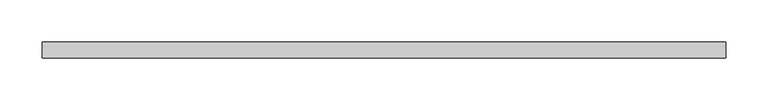
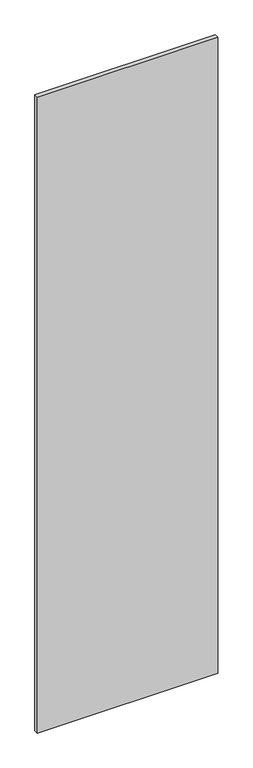
"""IFC4 building model written with IfcOpenShell, lengths in millimetres: proxy geometry."""

import ifcopenshell
import ifcopenshell.guid

model = None  # the IFC model being written
_history = None  # IfcOwnerHistory: only IFC2X3 demands one
_inside = {}  # id of a spatial element -> (the spatial element, [elements in it])
_under = {}  # id of a project, library or spatial element -> (it, [spatial elements below it])
_declared = {}  # id of a project -> (the project, [libraries it declares])
_typed = {}  # id of a type object -> (the type object, [elements of that type])
_made_of = {}  # id of a material, layer set ... -> (it, [elements and type objects made of it])


def new_model(schema):
    """Start an empty IFC model of exactly this schema.

    Asked for "IFC4X3", IfcOpenShell would pick the latest addendum, in which some entities
    have other attributes; the version numbers below select the first issue.
    IFC2X3 requires an IfcOwnerHistory on every rooted entity: one is made here for all.
    """
    global model, _history
    if schema == "IFC4X3":
        model = ifcopenshell.file(schema_version=(4, 3, 0, 0))
    else:
        model = ifcopenshell.file(schema=schema)
    _inside.clear()
    _under.clear()
    _declared.clear()
    _typed.clear()
    _made_of.clear()
    _history = None
    if model.schema == "IFC2X3":
        org = make("IfcOrganization", Name="unknown")
        user = make(
            "IfcPersonAndOrganization",
            ThePerson=make("IfcPerson", FamilyName="unknown"),
            TheOrganization=org,
        )
        app = make(
            "IfcApplication",
            ApplicationDeveloper=org,
            Version="unknown",
            ApplicationFullName="unknown",
            ApplicationIdentifier="unknown",
        )
        _history = make(
            "IfcOwnerHistory",
            OwningUser=user,
            OwningApplication=app,
            ChangeAction="ADDED",
            CreationDate=0,
        )
    return model


def make(cls, **values):
    """One entity of the class cls with the attributes given. An attribute that is None is left unset."""
    return model.create_entity(
        cls, **{name: value for name, value in values.items() if value is not None}
    )


def rooted(cls, **values):
    """An entity with a GlobalId (a new one), such as an element, a storey or a relation."""
    return make(cls, GlobalId=ifcopenshell.guid.new(), OwnerHistory=_history, **values)


def si_unit(unit_type, name, prefix=None):
    """IfcSIUnit, for example si_unit("LENGTHUNIT", "METRE", prefix="MILLI")."""
    return make("IfcSIUnit", UnitType=unit_type, Prefix=prefix, Name=name)


def assignment(units):
    """IfcUnitAssignment: the units of a project."""
    return None if units is None else make("IfcUnitAssignment", Units=units)


def point(xyz):
    """IfcCartesianPoint."""
    return None if xyz is None else make("IfcCartesianPoint", Coordinates=xyz)


def direction(xyz):
    """IfcDirection."""
    return None if xyz is None else make("IfcDirection", DirectionRatios=xyz)


def frame(location, z_axis=None, x_axis=None):
    """IfcAxis2Placement3D, a coordinate frame: its origin and axes. An axis left out is left unset."""
    return make(
        "IfcAxis2Placement3D",
        Location=point(location),
        Axis=direction(z_axis),
        RefDirection=direction(x_axis),
    )


def origin():
    """The frame at (0, 0, 0) with its axes left unset."""
    return frame((0.0, 0.0, 0.0))


def place(relative_to, where):
    """IfcLocalPlacement: puts the frame where relative to a parent placement (None: the world)."""
    return make(
        "IfcLocalPlacement", PlacementRelTo=relative_to, RelativePlacement=where
    )


def context(
    kind, dimensions, precision=None, world=None, true_north=None, identifier=None
):
    """IfcGeometricRepresentationContext, for example the 3D "Model" context."""
    return make(
        "IfcGeometricRepresentationContext",
        ContextIdentifier=identifier,
        ContextType=kind,
        CoordinateSpaceDimension=dimensions,
        Precision=precision,
        WorldCoordinateSystem=world,
        TrueNorth=true_north,
    )


def project(units=None, contexts=None):
    """IfcProject with its units and contexts."""
    return rooted(
        "IfcProject",
        Name="project",
        RepresentationContexts=contexts,
        UnitsInContext=assignment(units),
    )


def spatial(cls, under=None, at=None, **own):
    """A site, building, storey or space (cls), placed at a placement, below another one or the project."""
    s = rooted(cls, ObjectPlacement=at, **own)
    if under is not None:
        _under.setdefault(under.id(), (under, []))[1].append(s)
    return s


def polyline(points):
    """IfcPolyline through the points."""
    return make("IfcPolyline", Points=[point(p) for p in points])


def outline(outer, holes=None, kind="AREA"):
    """IfcArbitraryClosedProfileDef: a profile drawn as a closed curve; with holes, ...WithVoids."""
    if holes is None:
        return make("IfcArbitraryClosedProfileDef", ProfileType=kind, OuterCurve=outer)
    return make(
        "IfcArbitraryProfileDefWithVoids",
        ProfileType=kind,
        OuterCurve=outer,
        InnerCurves=holes,
    )


def extrude(swept, where, along, depth):
    """IfcExtrudedAreaSolid: the profile swept, set in the frame where, extruded along a direction by depth."""
    return make(
        "IfcExtrudedAreaSolid",
        SweptArea=swept,
        Position=where,
        ExtrudedDirection=direction(along),
        Depth=depth,
    )


def shape(context_of_items, identifier, shape_type, items):
    """IfcShapeRepresentation: the items that make up one representation, for example the "Body"."""
    return make(
        "IfcShapeRepresentation",
        ContextOfItems=context_of_items,
        RepresentationIdentifier=identifier,
        RepresentationType=shape_type,
        Items=items,
    )


def source(mapping_origin, context_of_items, identifier, shape_type, items):
    """IfcRepresentationMap: a shape defined once, which mapped items show again and again."""
    return make(
        "IfcRepresentationMap",
        MappingOrigin=mapping_origin,
        MappedRepresentation=shape(context_of_items, identifier, shape_type, items),
    )


def transform(
    local_origin,
    x_axis=None,
    y_axis=None,
    z_axis=None,
    scale=None,
    scale2=None,
    scale3=None,
    uniform=True,
):
    """IfcCartesianTransformationOperator3D, or its non-uniform kind. x_axis, y_axis, z_axis: its Axis1, 2, 3."""
    if uniform:
        return make(
            "IfcCartesianTransformationOperator3D",
            Axis1=direction(x_axis),
            Axis2=direction(y_axis),
            LocalOrigin=point(local_origin),
            Scale=scale,
            Axis3=direction(z_axis),
        )
    return make(
        "IfcCartesianTransformationOperator3DnonUniform",
        Axis1=direction(x_axis),
        Axis2=direction(y_axis),
        LocalOrigin=point(local_origin),
        Scale=scale,
        Axis3=direction(z_axis),
        Scale2=scale2,
        Scale3=scale3,
    )


def mapped(mapping_source, mapping_target):
    """IfcMappedItem: shows the shape of a source again, moved by a transform."""
    return make(
        "IfcMappedItem", MappingSource=mapping_source, MappingTarget=mapping_target
    )


def made_of(thing, what):
    """Note that an element or type object is made of a material, layer set ...; save() writes the relation."""
    if what is not None:
        _made_of.setdefault(what.id(), (what, []))[1].append(thing)
    return thing


def element(
    cls,
    number,
    at=None,
    inside=None,
    cuts=None,
    type_object=None,
    material=None,
    context=None,
    identifier="Body",
    shape_type=None,
    held_by="IfcProductDefinitionShape",
    body=None,
    shapes=None,
    **own,
):
    """One element of the class cls, such as IfcWall. Its Tag is "e" and its number.

    at: its placement. inside: the storey or other place that contains it. cuts: it is an
    opening in that element (IfcRelVoidsElement). A single representation is given by context,
    identifier, shape_type and body (its items); several are given by shapes. held_by: the class
    of the entity that holds the representations. save() writes the other relations.
    """
    e = rooted(cls, Tag="e%d" % number, ObjectPlacement=at, **own)
    if body is not None:
        shapes = [shape(context, identifier, shape_type, body)]
    if shapes is not None:
        e.Representation = make(held_by, Representations=shapes)
    if inside is not None:
        _inside.setdefault(inside.id(), (inside, []))[1].append(e)
    if cuts is not None:
        rooted(
            "IfcRelVoidsElement", RelatingBuildingElement=cuts, RelatedOpeningElement=e
        )
    if type_object is not None:
        _typed.setdefault(type_object.id(), (type_object, []))[1].append(e)
    return made_of(e, material)


def aggregate(whole, parts):
    """IfcRelAggregates: a whole, such as a stair, and the parts it consists of."""
    return rooted("IfcRelAggregates", RelatingObject=whole, RelatedObjects=parts)


def save(model, path):
    """Write the relations noted so far, then the file.

    IfcRelAggregates (storeys below a building ...), IfcRelContainedInSpatialStructure (elements
    in a storey), IfcRelDefinesByType, IfcRelAssociatesMaterial and IfcRelDeclares: one each for
    every whole, place, type object, material and project.
    """
    for whole, parts in _under.values():
        aggregate(whole, parts)
    for where, things in _inside.values():
        rooted(
            "IfcRelContainedInSpatialStructure",
            RelatedElements=things,
            RelatingStructure=where,
        )
    for kind, things in _typed.values():
        rooted("IfcRelDefinesByType", RelatedObjects=things, RelatingType=kind)
    for what, things in _made_of.values():
        rooted("IfcRelAssociatesMaterial", RelatedObjects=things, RelatingMaterial=what)
    for by, libraries in _declared.values():
        rooted("IfcRelDeclares", RelatingContext=by, RelatedDefinitions=libraries)
    model.write(path)


def specialty_equipment_f27dff6c(model_context):
    return source(origin(), model_context, "Body", "SweptSolid", [
        extrude(outline(polyline([(404.5204, -9.525), (-404.5204, -9.525), (-404.5204, 9.525), (404.5204, 9.525), (404.5204, -9.525)])), frame((0.0, 0.0, 3.175), z_axis=(0.0, 0.0, 1.0), x_axis=(1.0, 0.0, 0.0)), (0.0, 0.0, 1.0), 3013.075),
    ])


if __name__ == "__main__":
    model = new_model("IFC4")
    model_context = context("Model", 3, world=origin())
    ifc_project = project(units=[si_unit("LENGTHUNIT", "METRE", prefix="MILLI")], contexts=[model_context])
    site = spatial("IfcSite", under=ifc_project)
    building = spatial("IfcBuilding", under=site)
    placement = place(None, origin())
    specialty_equipment_shape = specialty_equipment_f27dff6c(model_context)
    element("IfcBuildingElementProxy", 1, Name="Specialty Equipment", at=placement, inside=building, context=model_context, shape_type="MappedRepresentation", body=[
        mapped(specialty_equipment_shape, transform((0.0, 0.0, 0.0), x_axis=(1.0, 0.0, 0.0), y_axis=(0.0, 1.0, 0.0), z_axis=(0.0, 0.0, 1.0))),
    ])
    save(model, "model.ifc")
